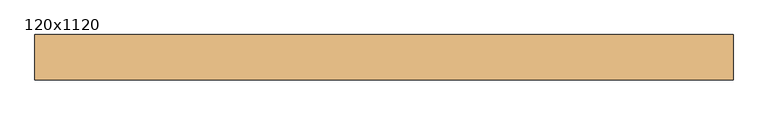
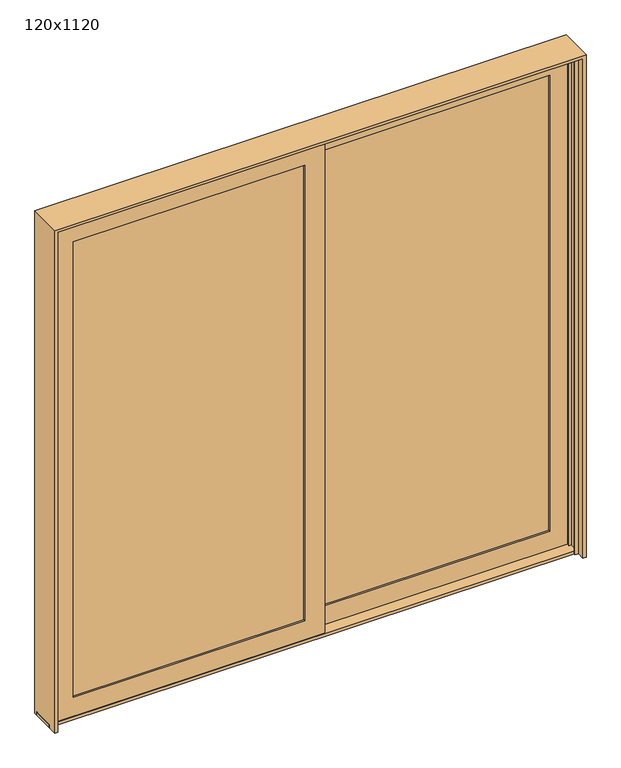
"""IFC4 building model written with IfcOpenShell, lengths in millimetres: door geometry, 120x1120."""

from ifc_helpers import new_model, si_unit, frame, origin, place, context, project, spatial, polyline, outline, extrude, faceted_brep, source, transform, mapped, element, save


def door_120x1120_791bf0a1(model_context):
    return source(origin(), model_context, "Body", "SolidModel", [
        extrude(outline(polyline([(1397.7169118, 72.7955107), (44.7573368, 72.7955107), (44.7573368, 75.9705107), (1397.7169118, 75.9705107), (1397.7169118, 72.7955107)])), frame((0.0, 0.0, 121.4374), z_axis=(0.0, 0.0, 1.0), x_axis=(1.0, 0.0, 0.0)), (0.0, 0.0, 1.0), 2789.2502),
        extrude(outline(polyline([(1397.7169118, 56.9205107), (1397.7169118, 53.7455107), (44.7573368, 53.7455107), (44.7573368, 56.9205107), (1397.7169118, 56.9205107)])), frame((0.0, 0.0, 121.4374), z_axis=(0.0, 0.0, 1.0), x_axis=(1.0, 0.0, 0.0)), (0.0, 0.0, 1.0), 2789.2502),
        faceted_brep([(1400.8919118, 53.7455107, 118.2624), (1400.8919118, 77.5453309, 118.2624), (41.5823368, 77.5453309, 118.2624), (41.5823368, 53.7455107, 118.2624), (1385.0169118, 43.4204107, 134.1374), (1385.0169118, 53.7455107, 134.1374), (57.4573368, 53.7455107, 134.1374), (57.4573368, 43.4204107, 134.1374), (1500.1043118, 87.0618763, 19.05), (1500.1043118, 43.4204107, 19.05), (-57.6300632, 43.4204107, 19.05), (-57.6300632, 87.0618763, 19.05), (1385.0185198, 77.5453309, 134.135792), (1385.0185198, 87.0618763, 134.135792), (57.4557288, 87.0618763, 134.135792), (57.4557288, 77.5453309, 134.135792), (41.5823368, 77.5453309, 2913.8626), (41.5823368, 53.7455107, 2913.8626), (57.4573368, 53.7455107, 2897.9876), (57.4573368, 43.4204107, 2897.9876), (-57.6300632, 43.4204107, 3013.075), (-57.6300632, 87.0618763, 3013.075), (57.4557288, 87.0618763, 2897.989208), (57.4557288, 77.5453309, 2897.989208), (1400.8919118, 77.5453309, 2913.8626), (1400.8919118, 53.7455107, 2913.8626), (1385.0169118, 53.7455107, 2897.9876), (1385.0169118, 43.4204107, 2897.9876), (1500.1043118, 43.4204107, 3013.075), (1500.1043118, 87.0618763, 3013.075), (1385.0185198, 87.0618763, 2897.989208), (1385.0185198, 77.5453309, 2897.989208)], [[[0, 1, 2, 3]], [[4, 5, 6, 7]], [[8, 9, 10, 11]], [[12, 13, 14, 15]], [[3, 2, 16, 17]], [[7, 6, 18, 19]], [[11, 10, 20, 21]], [[15, 14, 22, 23]], [[17, 16, 24, 25]], [[19, 18, 26, 27]], [[21, 20, 28, 29]], [[23, 22, 30, 31]], [[25, 24, 1, 0]], [[3, 17, 25, 0], [5, 26, 18, 6]], [[27, 26, 5, 4]], [[9, 28, 20, 10], [7, 19, 27, 4]], [[29, 28, 9, 8]], [[11, 21, 29, 8], [13, 30, 22, 14]], [[31, 30, 13, 12]], [[1, 24, 16, 2], [15, 23, 31, 12]]]),
        extrude(outline(polyline([(-44.8202139, 9.0749499), (-1397.7797889, 9.0749499), (-1397.7797889, 12.2499499), (-44.8202139, 12.2499499), (-44.8202139, 9.0749499)])), frame((0.0, 0.0, 121.4374), z_axis=(0.0, 0.0, 1.0), x_axis=(1.0, 0.0, 0.0)), (0.0, 0.0, 1.0), 2789.2502),
        extrude(outline(polyline([(-44.8202139, -6.8000501), (-44.8202139, -9.9750501), (-1397.7797889, -9.9750501), (-1397.7797889, -6.8000501), (-44.8202139, -6.8000501)])), frame((0.0, 0.0, 121.4374), z_axis=(0.0, 0.0, 1.0), x_axis=(1.0, 0.0, 0.0)), (0.0, 0.0, 1.0), 2789.2502),
        faceted_brep([(-41.6452139, -9.9750501, 118.2624), (-41.6452139, 13.8247701, 118.2624), (-1400.9547889, 13.8247701, 118.2624), (-1400.9547889, -9.9750501, 118.2624), (-57.5202139, -20.3001501, 134.1374), (-57.5202139, -9.9750501, 134.1374), (-1385.0797889, -9.9750501, 134.1374), (-1385.0797889, -20.3001501, 134.1374), (57.5671861, 23.3413155, 19.05), (57.5671861, -20.3001501, 19.05), (-1500.1671889, -20.3001501, 19.05), (-1500.1671889, 23.3413155, 19.05), (-57.5186059, 13.8247701, 134.135792), (-57.5186059, 23.3413155, 134.135792), (-1385.0813969, 23.3413155, 134.135792), (-1385.0813969, 13.8247701, 134.135792), (-1400.9547889, 13.8247701, 2913.8626), (-1400.9547889, -9.9750501, 2913.8626), (-1385.0797889, -9.9750501, 2897.9876), (-1385.0797889, -20.3001501, 2897.9876), (-1500.1671889, -20.3001501, 3013.075), (-1500.1671889, 23.3413155, 3013.075), (-1385.0813969, 23.3413155, 2897.989208), (-1385.0813969, 13.8247701, 2897.989208), (-41.6452139, 13.8247701, 2913.8626), (-41.6452139, -9.9750501, 2913.8626), (-57.5202139, -9.9750501, 2897.9876), (-57.5202139, -20.3001501, 2897.9876), (57.5671861, -20.3001501, 3013.075), (57.5671861, 23.3413155, 3013.075), (-57.5186059, 23.3413155, 2897.989208), (-57.5186059, 13.8247701, 2897.989208)], [[[0, 1, 2, 3]], [[4, 5, 6, 7]], [[8, 9, 10, 11]], [[12, 13, 14, 15]], [[3, 2, 16, 17]], [[7, 6, 18, 19]], [[11, 10, 20, 21]], [[15, 14, 22, 23]], [[17, 16, 24, 25]], [[19, 18, 26, 27]], [[21, 20, 28, 29]], [[23, 22, 30, 31]], [[25, 24, 1, 0]], [[3, 17, 25, 0], [5, 26, 18, 6]], [[27, 26, 5, 4]], [[9, 28, 20, 10], [7, 19, 27, 4]], [[29, 28, 9, 8]], [[11, 21, 29, 8], [13, 30, 22, 14]], [[31, 30, 13, 12]], [[1, 24, 16, 2], [15, 23, 31, 12]]]),
        extrude(outline(polyline([(102.5128594, 0.0), (-22.9532571, 0.0), (-22.9532571, 19.1087537), (90.1744757, 19.1087537), (90.1744757, 20.6375), (102.5128594, 20.6375), (102.5128594, 0.0)])), frame((-1523.9796889, 0.0, 0.0), z_axis=(1.0, 0.0, 0.0), x_axis=(0.0, 1.0, 0.0)), (0.0, 0.0, 1.0), 3047.9796889),
        faceted_brep([(-1500.1043118, 90.7372698, 0.0), (-1500.1043118, 39.7598016, 0.0), (-1485.7668989, 39.7598016, 0.0), (-1485.7668989, 27.016709, 0.0), (-1500.1043118, 27.016709, 0.0), (-1500.1043118, -23.9607592, 0.0), (-1485.7668989, -23.9607592, 0.0), (-1485.7668989, -32.6262916, 0.0), (-1506.5375, -32.6262916, 0.0), (-1506.5375, -76.5625264, 0.0), (-1524.0, -76.5625264, 0.0), (-1524.0, 120.5813913, 0.0), (-1485.7668989, 120.5813913, 0.0), (-1485.7668989, 90.7372698, 0.0), (1500.1043118, 90.7372698, 0.0), (1485.7668989, 90.7372698, 0.0), (1485.7668989, 120.5813913, 0.0), (1524.0, 120.5813913, 0.0), (1524.0, -76.5625264, 0.0), (1506.5375, -76.5625264, 0.0), (1506.5375, -32.6262916, 0.0), (1485.7668989, -32.6262916, 0.0), (1485.7668989, -23.9607592, 0.0), (1500.1043118, -23.9607592, 0.0), (1500.1043118, 27.016709, 0.0), (1485.7668989, 27.016709, 0.0), (1485.7668989, 39.7598016, 0.0), (1500.1043118, 39.7598016, 0.0), (-1500.1043118, 90.7372698, 3024.1043118), (-1500.1043118, 39.7598016, 3024.1043118), (1500.1043118, 39.7598016, 3024.1043118), (1485.7668989, 39.7598016, 3009.7668989), (-1485.7668989, 39.7598016, 3009.7668989), (-1485.7668989, 27.016709, 3009.7668989), (1485.7668989, 27.016709, 3009.7668989), (1500.1043118, 27.016709, 3024.1043118), (-1500.1043118, 27.016709, 3024.1043118), (-1500.1043118, -23.9607592, 3024.1043118), (1500.1043118, -23.9607592, 3024.1043118), (1485.7668989, -23.9607592, 3009.7668989), (-1485.7668989, -23.9607592, 3009.7668989), (-1485.7668989, -32.6262916, 3009.7668989), (1485.7668989, -32.6262916, 3009.7668989), (1506.5375, -32.6262916, 3030.5375), (-1506.5375, -32.6262916, 3030.5375), (-1506.5375, -76.5625264, 3030.5375), (1506.5375, -76.5625264, 3030.5375), (1524.0, -76.5625264, 3048.0), (-1524.0, -76.5625264, 3048.0), (-1524.0, 120.5813913, 3048.0), (1524.0, 120.5813913, 3048.0), (1485.7668989, 120.5813913, 3009.7668989), (-1485.7668989, 120.5813913, 3009.7668989), (-1485.7668989, 90.7372698, 3009.7668989), (1485.7668989, 90.7372698, 3009.7668989), (1500.1043118, 90.7372698, 3024.1043118)], [[[0, 1, 2, 3, 4, 5, 6, 7, 8, 9, 10, 11, 12, 13]], [[14, 15, 16, 17, 18, 19, 20, 21, 22, 23, 24, 25, 26, 27]], [[1, 0, 28, 29]], [[2, 1, 29, 30, 27, 26, 31, 32]], [[3, 2, 32, 33]], [[4, 3, 33, 34, 25, 24, 35, 36]], [[5, 4, 36, 37]], [[6, 5, 37, 38, 23, 22, 39, 40]], [[7, 6, 40, 41]], [[8, 7, 41, 42, 21, 20, 43, 44]], [[9, 8, 44, 45]], [[10, 9, 45, 46, 19, 18, 47, 48]], [[11, 10, 48, 49]], [[12, 11, 49, 50, 17, 16, 51, 52]], [[13, 12, 52, 53]], [[0, 13, 53, 54, 15, 14, 55, 28]], [[29, 28, 55, 30]], [[33, 32, 31, 34]], [[37, 36, 35, 38]], [[41, 40, 39, 42]], [[45, 44, 43, 46]], [[49, 48, 47, 50]], [[53, 52, 51, 54]], [[30, 55, 14, 27]], [[34, 31, 26, 25]], [[38, 35, 24, 23]], [[42, 39, 22, 21]], [[46, 43, 20, 19]], [[50, 47, 18, 17]], [[54, 51, 16, 15]]]),
    ])


if __name__ == "__main__":
    model = new_model("IFC4")
    model_context = context("Model", 3, world=origin())
    ifc_project = project(units=[si_unit("LENGTHUNIT", "METRE", prefix="MILLI")], contexts=[model_context])
    site = spatial("IfcSite", under=ifc_project)
    building = spatial("IfcBuilding", under=site)
    placement = place(None, origin())
    door_120x1120_shape = door_120x1120_791bf0a1(model_context)
    element("IfcDoor", 1, ObjectType="120x1120", at=placement, inside=building, context=model_context, shape_type="MappedRepresentation", body=[
        mapped(door_120x1120_shape, transform((0.0, 0.0, 0.0), x_axis=(1.0, 0.0, 0.0), y_axis=(0.0, 1.0, 0.0), z_axis=(0.0, 0.0, 1.0))),
    ])
    save(model, "model.ifc")
